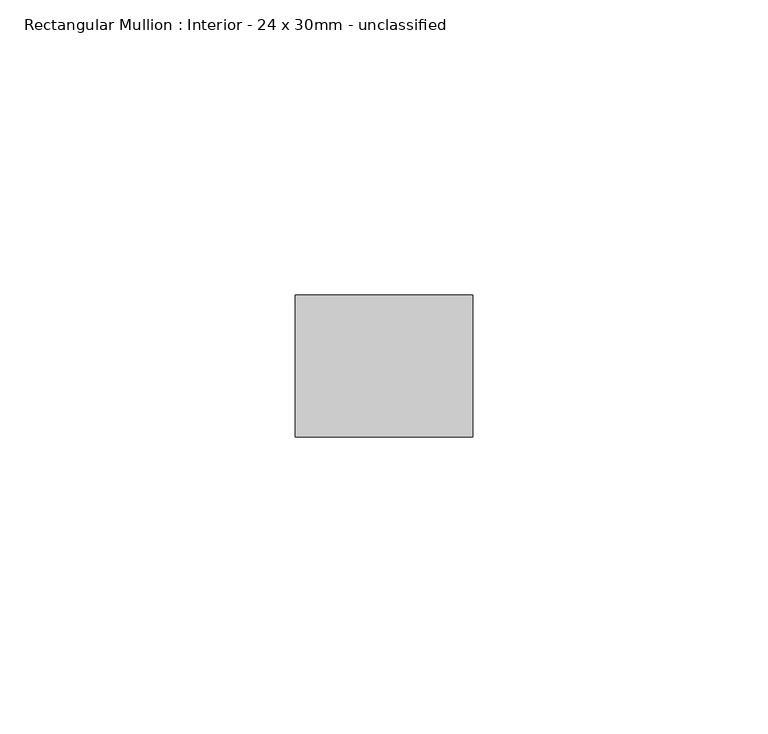
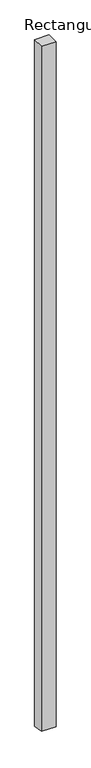
"""IFC4 building model written with IfcOpenShell, lengths in millimetres: member geometry, Rectangular Mullion : Interior - 24 x 30mm - unclassified."""

from ifc_helpers import new_model, si_unit, frame, origin, place, context, project, spatial, polyline, outline, extrude, source, transform, mapped, element, save


def rectangular_mullion_interior_24_x_30mm_unclassified_044dc829(model_context):
    return source(origin(), model_context, "Body", "SweptSolid", [
        extrude(outline(polyline([(-12.0, 0.0), (12.0, 0.0), (12.0, -1501.8392369), (-12.0, -1498.160773), (-12.0, 0.0)])), frame((-30.0, 0.0, 0.0), z_axis=(1.0, 0.0, 0.0), x_axis=(0.0, 1.0, 0.0)), (0.0, 0.0, 1.0), 30.0),
    ])


if __name__ == "__main__":
    model = new_model("IFC4")
    model_context = context("Model", 3, world=origin())
    ifc_project = project(units=[si_unit("LENGTHUNIT", "METRE", prefix="MILLI")], contexts=[model_context])
    site = spatial("IfcSite", under=ifc_project)
    building = spatial("IfcBuilding", under=site)
    placement = place(None, origin())
    rectangular_mullion_interior_24_x_30mm_unclassified_shape = rectangular_mullion_interior_24_x_30mm_unclassified_044dc829(model_context)
    element("IfcMember", 1, ObjectType="Rectangular Mullion : Interior - 24 x 30mm - unclassified", at=placement, inside=building, context=model_context, shape_type="MappedRepresentation", body=[
        mapped(rectangular_mullion_interior_24_x_30mm_unclassified_shape, transform((0.0, 0.0, 0.0), x_axis=(1.0, 0.0, 0.0), y_axis=(0.0, 1.0, 0.0), z_axis=(0.0, 0.0, 1.0))),
    ])
    save(model, "model.ifc")
